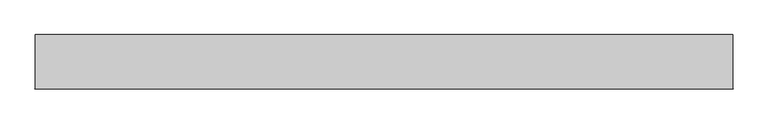
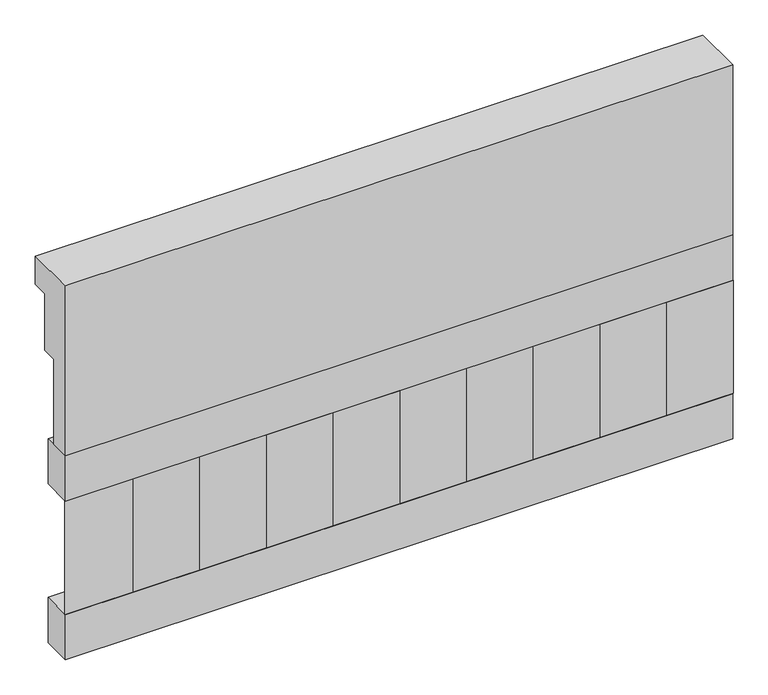
"""IFC4 building model written with IfcOpenShell, lengths in millimetres: railing geometry."""

import ifcopenshell
import ifcopenshell.guid

model = None  # the IFC model being written
_history = None  # IfcOwnerHistory: only IFC2X3 demands one
_inside = {}  # id of a spatial element -> (the spatial element, [elements in it])
_under = {}  # id of a project, library or spatial element -> (it, [spatial elements below it])
_declared = {}  # id of a project -> (the project, [libraries it declares])
_typed = {}  # id of a type object -> (the type object, [elements of that type])
_made_of = {}  # id of a material, layer set ... -> (it, [elements and type objects made of it])


def new_model(schema):
    """Start an empty IFC model of exactly this schema.

    Asked for "IFC4X3", IfcOpenShell would pick the latest addendum, in which some entities
    have other attributes; the version numbers below select the first issue.
    IFC2X3 requires an IfcOwnerHistory on every rooted entity: one is made here for all.
    """
    global model, _history
    if schema == "IFC4X3":
        model = ifcopenshell.file(schema_version=(4, 3, 0, 0))
    else:
        model = ifcopenshell.file(schema=schema)
    _inside.clear()
    _under.clear()
    _declared.clear()
    _typed.clear()
    _made_of.clear()
    _history = None
    if model.schema == "IFC2X3":
        org = make("IfcOrganization", Name="unknown")
        user = make(
            "IfcPersonAndOrganization",
            ThePerson=make("IfcPerson", FamilyName="unknown"),
            TheOrganization=org,
        )
        app = make(
            "IfcApplication",
            ApplicationDeveloper=org,
            Version="unknown",
            ApplicationFullName="unknown",
            ApplicationIdentifier="unknown",
        )
        _history = make(
            "IfcOwnerHistory",
            OwningUser=user,
            OwningApplication=app,
            ChangeAction="ADDED",
            CreationDate=0,
        )
    return model


def make(cls, **values):
    """One entity of the class cls with the attributes given. An attribute that is None is left unset."""
    return model.create_entity(
        cls, **{name: value for name, value in values.items() if value is not None}
    )


def rooted(cls, **values):
    """An entity with a GlobalId (a new one), such as an element, a storey or a relation."""
    return make(cls, GlobalId=ifcopenshell.guid.new(), OwnerHistory=_history, **values)


def si_unit(unit_type, name, prefix=None):
    """IfcSIUnit, for example si_unit("LENGTHUNIT", "METRE", prefix="MILLI")."""
    return make("IfcSIUnit", UnitType=unit_type, Prefix=prefix, Name=name)


def assignment(units):
    """IfcUnitAssignment: the units of a project."""
    return None if units is None else make("IfcUnitAssignment", Units=units)


def point(xyz):
    """IfcCartesianPoint."""
    return None if xyz is None else make("IfcCartesianPoint", Coordinates=xyz)


def direction(xyz):
    """IfcDirection."""
    return None if xyz is None else make("IfcDirection", DirectionRatios=xyz)


def frame(location, z_axis=None, x_axis=None):
    """IfcAxis2Placement3D, a coordinate frame: its origin and axes. An axis left out is left unset."""
    return make(
        "IfcAxis2Placement3D",
        Location=point(location),
        Axis=direction(z_axis),
        RefDirection=direction(x_axis),
    )


def origin():
    """The frame at (0, 0, 0) with its axes left unset."""
    return frame((0.0, 0.0, 0.0))


def place(relative_to, where):
    """IfcLocalPlacement: puts the frame where relative to a parent placement (None: the world)."""
    return make(
        "IfcLocalPlacement", PlacementRelTo=relative_to, RelativePlacement=where
    )


def context(
    kind, dimensions, precision=None, world=None, true_north=None, identifier=None
):
    """IfcGeometricRepresentationContext, for example the 3D "Model" context."""
    return make(
        "IfcGeometricRepresentationContext",
        ContextIdentifier=identifier,
        ContextType=kind,
        CoordinateSpaceDimension=dimensions,
        Precision=precision,
        WorldCoordinateSystem=world,
        TrueNorth=true_north,
    )


def project(units=None, contexts=None):
    """IfcProject with its units and contexts."""
    return rooted(
        "IfcProject",
        Name="project",
        RepresentationContexts=contexts,
        UnitsInContext=assignment(units),
    )


def spatial(cls, under=None, at=None, **own):
    """A site, building, storey or space (cls), placed at a placement, below another one or the project."""
    s = rooted(cls, ObjectPlacement=at, **own)
    if under is not None:
        _under.setdefault(under.id(), (under, []))[1].append(s)
    return s


def polyline(points):
    """IfcPolyline through the points."""
    return make("IfcPolyline", Points=[point(p) for p in points])


def outline(outer, holes=None, kind="AREA"):
    """IfcArbitraryClosedProfileDef: a profile drawn as a closed curve; with holes, ...WithVoids."""
    if holes is None:
        return make("IfcArbitraryClosedProfileDef", ProfileType=kind, OuterCurve=outer)
    return make(
        "IfcArbitraryProfileDefWithVoids",
        ProfileType=kind,
        OuterCurve=outer,
        InnerCurves=holes,
    )


def extrude(swept, where, along, depth):
    """IfcExtrudedAreaSolid: the profile swept, set in the frame where, extruded along a direction by depth."""
    return make(
        "IfcExtrudedAreaSolid",
        SweptArea=swept,
        Position=where,
        ExtrudedDirection=direction(along),
        Depth=depth,
    )


def shape(context_of_items, identifier, shape_type, items):
    """IfcShapeRepresentation: the items that make up one representation, for example the "Body"."""
    return make(
        "IfcShapeRepresentation",
        ContextOfItems=context_of_items,
        RepresentationIdentifier=identifier,
        RepresentationType=shape_type,
        Items=items,
    )


def source(mapping_origin, context_of_items, identifier, shape_type, items):
    """IfcRepresentationMap: a shape defined once, which mapped items show again and again."""
    return make(
        "IfcRepresentationMap",
        MappingOrigin=mapping_origin,
        MappedRepresentation=shape(context_of_items, identifier, shape_type, items),
    )


def transform(
    local_origin,
    x_axis=None,
    y_axis=None,
    z_axis=None,
    scale=None,
    scale2=None,
    scale3=None,
    uniform=True,
):
    """IfcCartesianTransformationOperator3D, or its non-uniform kind. x_axis, y_axis, z_axis: its Axis1, 2, 3."""
    if uniform:
        return make(
            "IfcCartesianTransformationOperator3D",
            Axis1=direction(x_axis),
            Axis2=direction(y_axis),
            LocalOrigin=point(local_origin),
            Scale=scale,
            Axis3=direction(z_axis),
        )
    return make(
        "IfcCartesianTransformationOperator3DnonUniform",
        Axis1=direction(x_axis),
        Axis2=direction(y_axis),
        LocalOrigin=point(local_origin),
        Scale=scale,
        Axis3=direction(z_axis),
        Scale2=scale2,
        Scale3=scale3,
    )


def mapped(mapping_source, mapping_target):
    """IfcMappedItem: shows the shape of a source again, moved by a transform."""
    return make(
        "IfcMappedItem", MappingSource=mapping_source, MappingTarget=mapping_target
    )


def made_of(thing, what):
    """Note that an element or type object is made of a material, layer set ...; save() writes the relation."""
    if what is not None:
        _made_of.setdefault(what.id(), (what, []))[1].append(thing)
    return thing


def element(
    cls,
    number,
    at=None,
    inside=None,
    cuts=None,
    type_object=None,
    material=None,
    context=None,
    identifier="Body",
    shape_type=None,
    held_by="IfcProductDefinitionShape",
    body=None,
    shapes=None,
    **own,
):
    """One element of the class cls, such as IfcWall. Its Tag is "e" and its number.

    at: its placement. inside: the storey or other place that contains it. cuts: it is an
    opening in that element (IfcRelVoidsElement). A single representation is given by context,
    identifier, shape_type and body (its items); several are given by shapes. held_by: the class
    of the entity that holds the representations. save() writes the other relations.
    """
    e = rooted(cls, Tag="e%d" % number, ObjectPlacement=at, **own)
    if body is not None:
        shapes = [shape(context, identifier, shape_type, body)]
    if shapes is not None:
        e.Representation = make(held_by, Representations=shapes)
    if inside is not None:
        _inside.setdefault(inside.id(), (inside, []))[1].append(e)
    if cuts is not None:
        rooted(
            "IfcRelVoidsElement", RelatingBuildingElement=cuts, RelatedOpeningElement=e
        )
    if type_object is not None:
        _typed.setdefault(type_object.id(), (type_object, []))[1].append(e)
    return made_of(e, material)


def aggregate(whole, parts):
    """IfcRelAggregates: a whole, such as a stair, and the parts it consists of."""
    return rooted("IfcRelAggregates", RelatingObject=whole, RelatedObjects=parts)


def save(model, path):
    """Write the relations noted so far, then the file.

    IfcRelAggregates (storeys below a building ...), IfcRelContainedInSpatialStructure (elements
    in a storey), IfcRelDefinesByType, IfcRelAssociatesMaterial and IfcRelDeclares: one each for
    every whole, place, type object, material and project.
    """
    for whole, parts in _under.values():
        aggregate(whole, parts)
    for where, things in _inside.values():
        rooted(
            "IfcRelContainedInSpatialStructure",
            RelatedElements=things,
            RelatingStructure=where,
        )
    for kind, things in _typed.values():
        rooted("IfcRelDefinesByType", RelatedObjects=things, RelatingType=kind)
    for what, things in _made_of.values():
        rooted("IfcRelAssociatesMaterial", RelatedObjects=things, RelatingMaterial=what)
    for by, libraries in _declared.values():
        rooted("IfcRelDeclares", RelatingContext=by, RelatedDefinitions=libraries)
    model.write(path)


def railing_0d5dc077(model_context):
    return source(origin(), model_context, "Body", "SweptSolid", [
        extrude(outline(polyline([(903.1079487, 25100.0), (1033.1079487, 25100.0), (1033.1079487, 25025.0), (993.1079487, 25025.0), (993.1079487, 24875.0), (953.1079487, 24875.0), (953.1079487, 24650.0), (903.1079487, 24650.0), (903.1079487, 25100.0)])), frame((-40039.9887159, 0.0, 0.0), z_axis=(1.0, 0.0, 0.0), x_axis=(0.0, 1.0, 0.0)), (0.0, 0.0, 1.0), 1670.0),
        extrude(outline(polyline([(-38369.9887159, 978.1079487), (-38369.9887159, 903.1079487), (-40039.9887159, 903.1079487), (-40039.9887159, 978.1079487), (-38369.9887159, 978.1079487)])), frame((0.0, 0.0, 24530.0), z_axis=(0.0, 0.0, 1.0), x_axis=(1.0, 0.0, 0.0)), (0.0, 0.0, 1.0), 120.0),
        extrude(outline(polyline([(-38369.9887159, 978.1079487), (-38369.9887159, 903.1079487), (-40039.9887159, 903.1079487), (-40039.9887159, 978.1079487), (-38369.9887159, 978.1079487)])), frame((0.0, 0.0, 24110.0), z_axis=(0.0, 0.0, 1.0), x_axis=(1.0, 0.0, 0.0)), (0.0, 0.0, 1.0), 120.0),
        extrude(outline(polyline([(-39956.4887159, 987.9607624), (-39871.6359022, 903.1079487), (-40041.3415296, 903.1079487), (-39956.4887159, 987.9607624)])), frame((0.0, 0.0, 24230.0), z_axis=(0.0, 0.0, 1.0), x_axis=(1.0, 0.0, 0.0)), (0.0, 0.0, 1.0), 300.0),
        extrude(outline(polyline([(-39789.4887159, 987.9607624), (-39704.6359022, 903.1079487), (-39874.3415296, 903.1079487), (-39789.4887159, 987.9607624)])), frame((0.0, 0.0, 24230.0), z_axis=(0.0, 0.0, 1.0), x_axis=(1.0, 0.0, 0.0)), (0.0, 0.0, 1.0), 300.0),
        extrude(outline(polyline([(-39622.4887159, 987.9607624), (-39537.6359022, 903.1079487), (-39707.3415296, 903.1079487), (-39622.4887159, 987.9607624)])), frame((0.0, 0.0, 24230.0), z_axis=(0.0, 0.0, 1.0), x_axis=(1.0, 0.0, 0.0)), (0.0, 0.0, 1.0), 300.0),
        extrude(outline(polyline([(-39455.4887159, 987.9607624), (-39370.6359022, 903.1079487), (-39540.3415296, 903.1079487), (-39455.4887159, 987.9607624)])), frame((0.0, 0.0, 24230.0), z_axis=(0.0, 0.0, 1.0), x_axis=(1.0, 0.0, 0.0)), (0.0, 0.0, 1.0), 300.0),
        extrude(outline(polyline([(-39288.4887159, 987.9607624), (-39203.6359022, 903.1079487), (-39373.3415296, 903.1079487), (-39288.4887159, 987.9607624)])), frame((0.0, 0.0, 24230.0), z_axis=(0.0, 0.0, 1.0), x_axis=(1.0, 0.0, 0.0)), (0.0, 0.0, 1.0), 300.0),
        extrude(outline(polyline([(-39121.4887159, 987.9607624), (-39036.6359022, 903.1079487), (-39206.3415296, 903.1079487), (-39121.4887159, 987.9607624)])), frame((0.0, 0.0, 24230.0), z_axis=(0.0, 0.0, 1.0), x_axis=(1.0, 0.0, 0.0)), (0.0, 0.0, 1.0), 300.0),
        extrude(outline(polyline([(-38954.4887159, 987.9607624), (-38869.6359022, 903.1079487), (-39039.3415296, 903.1079487), (-38954.4887159, 987.9607624)])), frame((0.0, 0.0, 24230.0), z_axis=(0.0, 0.0, 1.0), x_axis=(1.0, 0.0, 0.0)), (0.0, 0.0, 1.0), 300.0),
        extrude(outline(polyline([(-38787.4887159, 987.9607624), (-38702.6359022, 903.1079487), (-38872.3415296, 903.1079487), (-38787.4887159, 987.9607624)])), frame((0.0, 0.0, 24230.0), z_axis=(0.0, 0.0, 1.0), x_axis=(1.0, 0.0, 0.0)), (0.0, 0.0, 1.0), 300.0),
        extrude(outline(polyline([(-38620.4887159, 987.9607624), (-38535.6359022, 903.1079487), (-38705.3415296, 903.1079487), (-38620.4887159, 987.9607624)])), frame((0.0, 0.0, 24230.0), z_axis=(0.0, 0.0, 1.0), x_axis=(1.0, 0.0, 0.0)), (0.0, 0.0, 1.0), 300.0),
        extrude(outline(polyline([(-38453.4887159, 987.9607624), (-38368.6359022, 903.1079487), (-38538.3415296, 903.1079487), (-38453.4887159, 987.9607624)])), frame((0.0, 0.0, 24230.0), z_axis=(0.0, 0.0, 1.0), x_axis=(1.0, 0.0, 0.0)), (0.0, 0.0, 1.0), 300.0),
    ])


if __name__ == "__main__":
    model = new_model("IFC4")
    model_context = context("Model", 3, world=origin())
    ifc_project = project(units=[si_unit("LENGTHUNIT", "METRE", prefix="MILLI")], contexts=[model_context])
    site = spatial("IfcSite", under=ifc_project)
    building = spatial("IfcBuilding", under=site)
    placement = place(None, origin())
    railing_shape = railing_0d5dc077(model_context)
    element("IfcRailing", 1, at=placement, inside=building, context=model_context, shape_type="MappedRepresentation", body=[
        mapped(railing_shape, transform((0.0, 0.0, 0.0), x_axis=(1.0, 0.0, 0.0), y_axis=(0.0, 1.0, 0.0), z_axis=(0.0, 0.0, 1.0))),
    ])
    save(model, "model.ifc")
